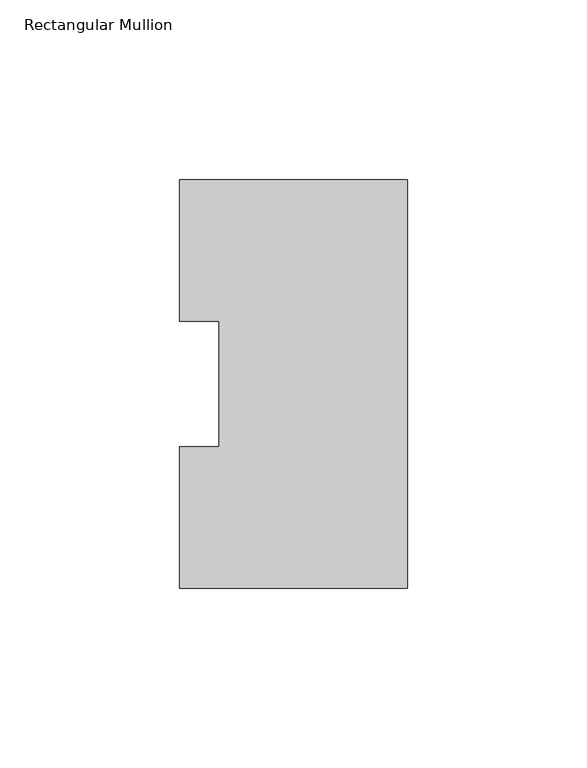
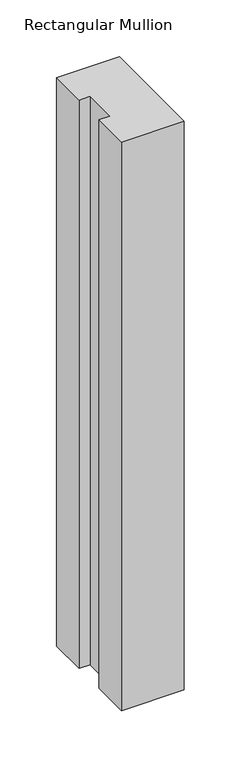
"""IFC4 building model written with IfcOpenShell, lengths in millimetres: member geometry, Rectangular Mullion."""

from ifc_helpers import new_model, si_unit, frame, origin, place, context, project, spatial, polyline, outline, extrude, source, transform, mapped, element, save


def rectangular_mullion_021be125(model_context):
    return source(origin(), model_context, "Body", "SweptSolid", [
        extrude(outline(polyline([(-63.5, 113.8189875), (0.0, 113.8189875), (0.0, 0.0269875), (-63.5, 0.0269875), (-63.5, 39.4477875), (-52.3875, 39.4477875), (-52.3875, 74.3981875), (-63.5, 74.3981875), (-63.5, 113.8189875)])), frame((0.0, 0.0, -609.6), z_axis=(0.0, 0.0, 1.0), x_axis=(1.0, 0.0, 0.0)), (0.0, 0.0, 1.0), 609.6),
    ])


if __name__ == "__main__":
    model = new_model("IFC4")
    model_context = context("Model", 3, world=origin())
    ifc_project = project(units=[si_unit("LENGTHUNIT", "METRE", prefix="MILLI")], contexts=[model_context])
    site = spatial("IfcSite", under=ifc_project)
    building = spatial("IfcBuilding", under=site)
    placement = place(None, origin())
    rectangular_mullion_shape = rectangular_mullion_021be125(model_context)
    element("IfcMember", 1, ObjectType="Rectangular Mullion", at=placement, inside=building, context=model_context, shape_type="MappedRepresentation", body=[
        mapped(rectangular_mullion_shape, transform((0.0, 0.0, 0.0), x_axis=(1.0, 0.0, 0.0), y_axis=(0.0, 1.0, 0.0), z_axis=(0.0, 0.0, 1.0))),
    ])
    save(model, "model.ifc")
